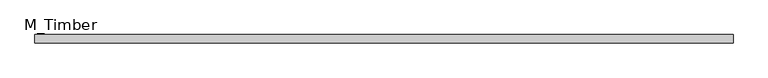
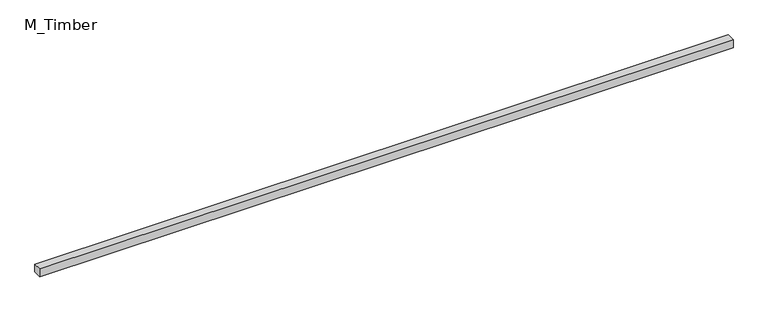
"""IFC4 building model written with IfcOpenShell, lengths in millimetres: beam geometry, M_Timber."""

from ifc_helpers import new_model, si_unit, frame, origin, place, context, project, spatial, polyline, outline, extrude, source, transform, mapped, element, save


def m_timber_c92b0f61(model_context):
    return source(origin(), model_context, "Body", "SweptSolid", [
        extrude(outline(polyline([(1667.0147427, 20.0), (1667.0147427, -20.0), (-1667.0147427, -20.0), (-1667.0147427, 20.0), (1667.0147427, 20.0)])), frame((0.0, 0.0, -20.0), z_axis=(0.0, 0.0, 1.0), x_axis=(1.0, 0.0, 0.0)), (0.0, 0.0, 1.0), 40.0),
    ])


if __name__ == "__main__":
    model = new_model("IFC4")
    model_context = context("Model", 3, world=origin())
    ifc_project = project(units=[si_unit("LENGTHUNIT", "METRE", prefix="MILLI")], contexts=[model_context])
    site = spatial("IfcSite", under=ifc_project)
    building = spatial("IfcBuilding", under=site)
    placement = place(None, origin())
    m_timber_shape = m_timber_c92b0f61(model_context)
    element("IfcBeam", 1, ObjectType="M_Timber", at=placement, inside=building, context=model_context, shape_type="MappedRepresentation", body=[
        mapped(m_timber_shape, transform((0.0, 0.0, 0.0), x_axis=(1.0, 0.0, 0.0), y_axis=(0.0, 1.0, 0.0), z_axis=(0.0, 0.0, 1.0))),
    ])
    save(model, "model.ifc")
